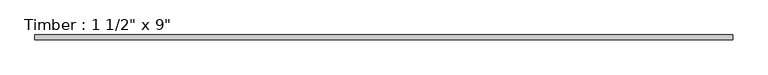
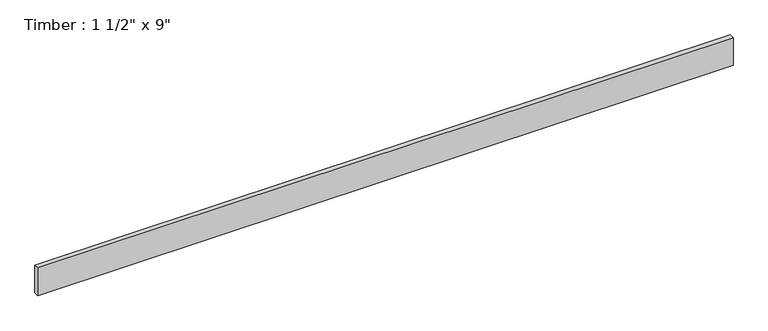
"""IFC4 building model written with IfcOpenShell, lengths in millimetres: beam geometry."""

from ifc_helpers import new_model, si_unit, frame, origin, place, context, project, spatial, polyline, outline, extrude, source, transform, mapped, element, save


def beam_abe6652c(model_context):
    return source(origin(), model_context, "Body", "SweptSolid", [
        extrude(outline(polyline([(2714.625, 19.05), (2714.625, -19.05), (-2714.625, -19.05), (-2714.625, 19.05), (2714.625, 19.05)])), frame((0.0, 0.0, -114.3), z_axis=(0.0, 0.0, 1.0), x_axis=(1.0, 0.0, 0.0)), (0.0, 0.0, 1.0), 228.6),
    ])


if __name__ == "__main__":
    model = new_model("IFC4")
    model_context = context("Model", 3, world=origin())
    ifc_project = project(units=[si_unit("LENGTHUNIT", "METRE", prefix="MILLI")], contexts=[model_context])
    site = spatial("IfcSite", under=ifc_project)
    building = spatial("IfcBuilding", under=site)
    placement = place(None, origin())
    beam_shape = beam_abe6652c(model_context)
    element("IfcBeam", 1, ObjectType="Timber : 1 1/2\" x 9\"", at=placement, inside=building, context=model_context, shape_type="MappedRepresentation", body=[
        mapped(beam_shape, transform((0.0, 0.0, 0.0), x_axis=(1.0, 0.0, 0.0), y_axis=(0.0, 1.0, 0.0), z_axis=(0.0, 0.0, 1.0))),
    ])
    save(model, "model.ifc")
